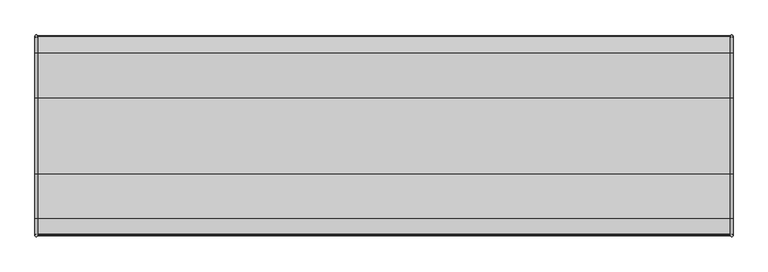
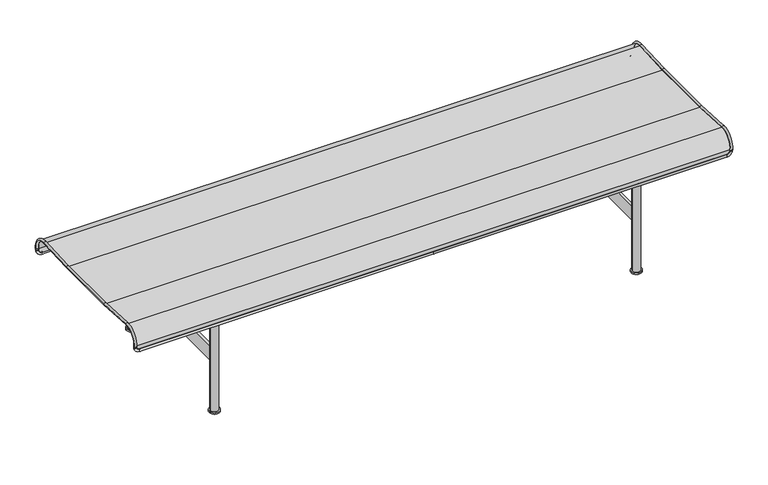
"""IFC4 building model written with IfcOpenShell, lengths in millimetres: furniture geometry."""

from ifc_helpers import new_model, si_unit, point, frame, frame_2d, origin, origin_with_axes, place, context, project, spatial, polyline, circle_curve, ellipse_curve, trimmed, segment, composite_curve, outline, extrude, source, transform, mapped, element, save
from ifc_brep_helpers import cylinder_surface, revolved_surface, advanced_brep


def furniture_bc1c1643(model_context):
    return source(origin(), model_context, "Body", "SolidModel", [
        extrude(outline(composite_curve([segment(trimmed(circle_curve(frame_2d((704.9999552, 238.988073)), 13.0), [point((717.9999552, 238.988073))], [point((691.9999552, 238.988073))], False, "CARTESIAN"), True, "CONTINUOUS"), segment(trimmed(circle_curve(frame_2d((704.9999552, 238.988073)), 13.0), [point((691.9999552, 238.988073))], [point((717.9999552, 238.988073))], False, "CARTESIAN"), True, "CONTINUOUS")], self_intersect=False)), frame((0.0, 0.0, 10.0), z_axis=(0.0, 0.0, 1.0), x_axis=(1.0, 0.0, 0.0)), (0.0, 0.0, 1.0), 375.0),
        extrude(outline(composite_curve([segment(trimmed(circle_curve(frame_2d((704.9999552, -239.011927)), 13.0), [point((717.9999552, -239.011927))], [point((691.9999552, -239.011927))], False, "CARTESIAN"), True, "CONTINUOUS"), segment(trimmed(circle_curve(frame_2d((704.9999552, -239.011927)), 13.0), [point((691.9999552, -239.011927))], [point((717.9999552, -239.011927))], False, "CARTESIAN"), True, "CONTINUOUS")], self_intersect=False)), frame((0.0, 0.0, 10.0), z_axis=(0.0, 0.0, 1.0), x_axis=(1.0, 0.0, 0.0)), (0.0, 0.0, 1.0), 376.6636493),
        extrude(outline(composite_curve([segment(trimmed(circle_curve(frame_2d((238.988073, 392.15)), 16.85), [point((255.838073, 392.15))], [point((222.138073, 392.15))], False, "CARTESIAN"), True, "CONTINUOUS"), segment(trimmed(circle_curve(frame_2d((238.988073, 392.15)), 16.85), [point((222.138073, 392.15))], [point((255.838073, 392.15))], False, "CARTESIAN"), True, "CONTINUOUS")], self_intersect=False)), frame((-899.9999552, 0.0, 0.0), z_axis=(1.0, 0.0, 0.0), x_axis=(0.0, 1.0, 0.0)), (0.0, 0.0, 1.0), 1800.0),
        extrude(outline(composite_curve([segment(trimmed(circle_curve(frame_2d((-239.011927, 392.15)), 16.85), [point((-222.161927, 392.15))], [point((-255.861927, 392.15))], False, "CARTESIAN"), True, "CONTINUOUS"), segment(trimmed(circle_curve(frame_2d((-239.011927, 392.15)), 16.85), [point((-255.861927, 392.15))], [point((-222.161927, 392.15))], False, "CARTESIAN"), True, "CONTINUOUS")], self_intersect=False)), frame((-899.9999552, 0.0, 0.0), z_axis=(1.0, 0.0, 0.0), x_axis=(0.0, 1.0, 0.0)), (0.0, 0.0, 1.0), 1800.0),
        extrude(outline(polyline([(701.0251424, 3.913073), (701.0251424, -3.936927), (-701.0250529, -3.936927), (-701.0250529, 3.913073), (701.0251424, 3.913073)])), frame((0.0, 0.0, 175.0), z_axis=(0.0, 0.0, 1.0), x_axis=(1.0, 0.0, 0.0)), (0.0, 0.0, 1.0), 50.0),
        extrude(outline(composite_curve([segment(trimmed(circle_curve(frame_2d((705.0000448, 238.988073)), 10.0), [point((715.0000448, 238.988073))], [point((695.0000448, 238.988073))], False, "CARTESIAN"), True, "CONTINUOUS"), segment(trimmed(circle_curve(frame_2d((705.0000448, 238.988073)), 10.0), [point((695.0000448, 238.988073))], [point((715.0000448, 238.988073))], False, "CARTESIAN"), True, "CONTINUOUS")], self_intersect=False)), origin_with_axes(), (0.0, 0.0, 1.0), 5.0095249),
        extrude(outline(composite_curve([segment(trimmed(circle_curve(frame_2d((705.0000448, 238.988073)), 17.5), [point((722.5000448, 238.988073))], [point((687.5000448, 238.988073))], False, "CARTESIAN"), True, "CONTINUOUS"), segment(trimmed(circle_curve(frame_2d((705.0000448, 238.988073)), 17.5), [point((687.5000448, 238.988073))], [point((722.5000448, 238.988073))], False, "CARTESIAN"), True, "CONTINUOUS")], self_intersect=False)), frame((0.0, 0.0, 5.0095249), z_axis=(0.0, 0.0, 1.0), x_axis=(1.0, 0.0, 0.0)), (0.0, 0.0, 1.0), 4.9904751),
        extrude(outline(composite_curve([segment(trimmed(circle_curve(frame_2d((-704.9999552, 238.988073)), 10.0), [point((-714.9999552, 238.988073))], [point((-694.9999552, 238.988073))], False, "CARTESIAN"), True, "CONTINUOUS"), segment(trimmed(circle_curve(frame_2d((-704.9999552, 238.988073)), 10.0), [point((-694.9999552, 238.988073))], [point((-714.9999552, 238.988073))], False, "CARTESIAN"), True, "CONTINUOUS")], self_intersect=False)), origin_with_axes(), (0.0, 0.0, 1.0), 5.0095249),
        extrude(outline(composite_curve([segment(trimmed(circle_curve(frame_2d((-704.9999552, 238.988073)), 17.5), [point((-722.4999552, 238.988073))], [point((-687.4999552, 238.988073))], False, "CARTESIAN"), True, "CONTINUOUS"), segment(trimmed(circle_curve(frame_2d((-704.9999552, 238.988073)), 17.5), [point((-687.4999552, 238.988073))], [point((-722.4999552, 238.988073))], False, "CARTESIAN"), True, "CONTINUOUS")], self_intersect=False)), frame((0.0, 0.0, 5.0095249), z_axis=(0.0, 0.0, 1.0), x_axis=(1.0, 0.0, 0.0)), (0.0, 0.0, 1.0), 4.9904751),
        extrude(outline(composite_curve([segment(trimmed(circle_curve(frame_2d((-704.9999552, 238.988073)), 13.0), [point((-717.9999552, 238.988073))], [point((-691.9999552, 238.988073))], False, "CARTESIAN"), True, "CONTINUOUS"), segment(trimmed(circle_curve(frame_2d((-704.9999552, 238.988073)), 13.0), [point((-691.9999552, 238.988073))], [point((-717.9999552, 238.988073))], False, "CARTESIAN"), True, "CONTINUOUS")], self_intersect=False)), frame((0.0, 0.0, 10.0), z_axis=(0.0, 0.0, 1.0), x_axis=(1.0, 0.0, 0.0)), (0.0, 0.0, 1.0), 375.0),
        extrude(outline(composite_curve([segment(trimmed(circle_curve(frame_2d((705.0000448, -239.011927)), 10.0), [point((715.0000448, -239.011927))], [point((695.0000448, -239.011927))], False, "CARTESIAN"), True, "CONTINUOUS"), segment(trimmed(circle_curve(frame_2d((705.0000448, -239.011927)), 10.0), [point((695.0000448, -239.011927))], [point((715.0000448, -239.011927))], False, "CARTESIAN"), True, "CONTINUOUS")], self_intersect=False)), origin_with_axes(), (0.0, 0.0, 1.0), 5.0095249),
        extrude(outline(composite_curve([segment(trimmed(circle_curve(frame_2d((705.0000448, -239.011927)), 17.5), [point((722.5000448, -239.011927))], [point((687.5000448, -239.011927))], False, "CARTESIAN"), True, "CONTINUOUS"), segment(trimmed(circle_curve(frame_2d((705.0000448, -239.011927)), 17.5), [point((687.5000448, -239.011927))], [point((722.5000448, -239.011927))], False, "CARTESIAN"), True, "CONTINUOUS")], self_intersect=False)), frame((0.0, 0.0, 5.0095249), z_axis=(0.0, 0.0, 1.0), x_axis=(1.0, 0.0, 0.0)), (0.0, 0.0, 1.0), 4.9904751),
        extrude(outline(composite_curve([segment(trimmed(circle_curve(frame_2d((-704.9999552, -239.011927)), 10.0), [point((-714.9999552, -239.011927))], [point((-694.9999552, -239.011927))], False, "CARTESIAN"), True, "CONTINUOUS"), segment(trimmed(circle_curve(frame_2d((-704.9999552, -239.011927)), 10.0), [point((-694.9999552, -239.011927))], [point((-714.9999552, -239.011927))], False, "CARTESIAN"), True, "CONTINUOUS")], self_intersect=False)), origin_with_axes(), (0.0, 0.0, 1.0), 5.0095249),
        extrude(outline(composite_curve([segment(trimmed(circle_curve(frame_2d((-704.9999552, -239.011927)), 17.5), [point((-722.4999552, -239.011927))], [point((-687.4999552, -239.011927))], False, "CARTESIAN"), True, "CONTINUOUS"), segment(trimmed(circle_curve(frame_2d((-704.9999552, -239.011927)), 17.5), [point((-687.4999552, -239.011927))], [point((-722.4999552, -239.011927))], False, "CARTESIAN"), True, "CONTINUOUS")], self_intersect=False)), frame((0.0, 0.0, 5.0095249), z_axis=(0.0, 0.0, 1.0), x_axis=(1.0, 0.0, 0.0)), (0.0, 0.0, 1.0), 4.9904751),
        extrude(outline(composite_curve([segment(trimmed(circle_curve(frame_2d((-704.9999552, -239.011927)), 13.0), [point((-717.9999552, -239.011927))], [point((-691.9999552, -239.011927))], False, "CARTESIAN"), True, "CONTINUOUS"), segment(trimmed(circle_curve(frame_2d((-704.9999552, -239.011927)), 13.0), [point((-691.9999552, -239.011927))], [point((-717.9999552, -239.011927))], False, "CARTESIAN"), True, "CONTINUOUS")], self_intersect=False)), frame((0.0, 0.0, 10.0), z_axis=(0.0, 0.0, 1.0), x_axis=(1.0, 0.0, 0.0)), (0.0, 0.0, 1.0), 376.6636493),
        advanced_brep(
        [(-999.5462493, 284.4659394, 360.5104882), (-999.5462493, 284.7053914, 362.4961022), (-991.5462493, 284.7053914, 362.4961022), (-991.5462493, 284.4659394, 360.5104882), (-999.5462493, 237.4859431, 412.9140708), (-991.5462493, 237.4859431, 412.9140708), (-999.5462493, 108.7493766, 405.8885189), (-991.5462493, 108.7493766, 405.8885189), (-999.5462493, -108.7732306, 405.8885189), (-991.5462493, -108.7732306, 405.8885189), (-999.5462493, -236.3198142, 412.8491298), (-991.5462493, -236.3198142, 412.8491298), (-999.5462493, -284.5865614, 361.3129209), (-991.5462493, -284.5865614, 361.3129209), (-999.5462493, -284.3471094, 359.3273069), (-991.5462493, -284.3471094, 359.3273069), (0.0, 282.8913258, 347.4532831), (-980.5462493, 282.8913258, 347.4532831), (-980.5462493, 281.9335176, 339.5108274), (0.0, 281.9335176, 339.5108274), (-999.5462493, 284.2083121, 358.3741598), (-991.5462493, 284.2083121, 358.3741598), (0.0, -281.8146877, 338.3276461), (-980.5462493, -281.8146877, 338.3276461), (-980.5462493, -282.7724959, 346.2701019), (0.0, -282.7724959, 346.2701019), (-991.5462493, -284.0894821, 357.1909785), (-999.5462493, -284.0894821, 357.1909785), (980.5462493, -282.7724959, 346.2701019), (980.5462493, -281.8146877, 338.3276461), (999.5462493, -284.0894821, 357.1909785), (991.5462493, -284.0894821, 357.1909785), (991.5462493, -284.3471094, 359.3273069), (999.5462493, -284.3471094, 359.3273069), (991.5462493, 284.4659394, 360.5104882), (991.5462493, 284.7053914, 362.4961022), (999.5462493, 284.7053914, 362.4961022), (999.5462493, 284.4659394, 360.5104882), (991.5462493, 237.4859431, 412.9140708), (999.5462493, 237.4859431, 412.9140708), (991.5462493, 108.7493766, 405.8885189), (999.5462493, 108.7493766, 405.8885189), (991.5462493, -108.7732306, 405.8885189), (999.5462493, -108.7732306, 405.8885189), (991.5462493, -236.3198142, 412.8491298), (999.5462493, -236.3198142, 412.8491298), (991.5462493, -284.5865614, 361.3129209), (999.5462493, -284.5865614, 361.3129209), (980.5462493, 281.9335176, 339.5108274), (980.5462493, 282.8913258, 347.4532831), (991.5462493, 284.2083121, 358.3741598), (999.5462493, 284.2083121, 358.3741598)],
        [
            (0, 1),
            (1, 2, circle_curve(frame((-995.5462493, 284.7053914, 362.4961022), z_axis=(0.0, -0.11972602531905047, -0.9928069695873927), x_axis=(1.0, 0.0, 0.0)), 4.0)),
            (2, 3),
            (3, 0, circle_curve(frame((-995.5462493, 284.4659394, 360.5104882), z_axis=(0.0, 0.11972602531905047, 0.9928069695873927), x_axis=(1.0, 0.0, 0.0)), 4.0)),
            (0, 3, circle_curve(frame((-995.5462493, 284.4659394, 360.5104882), z_axis=(0.0, 0.11972602531905047, 0.9928069695873927), x_axis=(1.0, 0.0, 0.0)), 4.0)),
            (2, 1, circle_curve(frame((-995.5462493, 284.7053914, 362.4961022), z_axis=(0.0, -0.11972602531905047, -0.9928069695873927), x_axis=(1.0, 0.0, 0.0)), 4.0)),
            (1, 4, circle_curve(frame((-999.5462493, 239.9428178, 367.8941757), z_axis=(1.0, 0.0, 0.0), x_axis=(0.0, 0.9928069695873927, -0.11972602531905052)), 45.0868849)),
            (4, 5, circle_curve(frame((-995.5462493, 237.4859431, 412.9140708), z_axis=(0.0, 0.9985142070101786, 0.05449200307232521), x_axis=(1.0, 0.0, 0.0)), 4.0)),
            (5, 2, circle_curve(frame((-991.5462493, 239.9428178, 367.8941757), z_axis=(-1.0, 0.0, 0.0), x_axis=(0.0, 0.9928069695873927, -0.11972602531905052)), 45.0868849)),
            (5, 4, circle_curve(frame((-995.5462493, 237.4859431, 412.9140708), z_axis=(0.0, 0.9985142070101786, 0.05449200307232521), x_axis=(1.0, 0.0, 0.0)), 4.0)),
            (4, 6),
            (6, 7, circle_curve(frame((-995.5462493, 108.7493766, 405.8885189), z_axis=(0.0, 0.9985142070101783, 0.0544920030723324), x_axis=(1.0, 0.0, 0.0)), 4.0)),
            (7, 5),
            (7, 6, circle_curve(frame((-995.5462493, 108.7493766, 405.8885189), z_axis=(0.0, 0.9985142070101783, 0.0544920030723324), x_axis=(1.0, 0.0, 0.0)), 4.0)),
            (6, 8, circle_curve(frame((-999.5462493, -0.011927, 2398.8361203), z_axis=(-1.0, 0.0, 0.0), x_axis=(0.0, 0.054492003072338854, -0.9985142070101778)), 1995.9131151)),
            (8, 9, circle_curve(frame((-995.5462493, -108.7732306, 405.8885189), z_axis=(0.0, 0.9985142070101786, -0.05449200307232431), x_axis=(1.0, 0.0, 0.0)), 4.0)),
            (9, 7, circle_curve(frame((-991.5462493, -0.011927, 2398.8361203), z_axis=(1.0, 0.0, 0.0), x_axis=(0.0, 0.054492003072338854, -0.9985142070101778)), 1995.9131151)),
            (9, 8, circle_curve(frame((-995.5462493, -108.7732306, 405.8885189), z_axis=(0.0, 0.9985142070101786, -0.05449200307232431), x_axis=(1.0, 0.0, 0.0)), 4.0)),
            (8, 10),
            (10, 11, circle_curve(frame((-995.5462493, -236.3198142, 412.8491298), z_axis=(0.0, 0.9985142070101782, -0.05449200307233083), x_axis=(1.0, 0.0, 0.0)), 4.0)),
            (11, 9),
            (11, 10, circle_curve(frame((-995.5462493, -236.3198142, 412.8491298), z_axis=(0.0, 0.9985142070101782, -0.05449200307233083), x_axis=(1.0, 0.0, 0.0)), 4.0)),
            (10, 12, circle_curve(frame((-999.5462493, -238.8311808, 366.8307204), z_axis=(1.0, 0.0, 0.0), x_axis=(0.0, 0.05449200307233129, 0.9985142070101782)), 46.0868849)),
            (12, 13, circle_curve(frame((-995.5462493, -284.5865614, 361.3129209), z_axis=(0.0, -0.11972602531906146, 0.9928069695873915), x_axis=(1.0, 0.0, 0.0)), 4.0)),
            (13, 11, circle_curve(frame((-991.5462493, -238.8311808, 366.8307204), z_axis=(-1.0, 0.0, 0.0), x_axis=(0.0, 0.05449200307233129, 0.9985142070101782)), 46.0868849)),
            (13, 12, circle_curve(frame((-995.5462493, -284.5865614, 361.3129209), z_axis=(0.0, -0.11972602531906146, 0.9928069695873915), x_axis=(1.0, 0.0, 0.0)), 4.0)),
            (12, 14),
            (14, 15, circle_curve(frame((-995.5462493, -284.3471094, 359.3273069), z_axis=(0.0, -0.11972602531906026, 0.9928069695873917), x_axis=(1.0, 0.0, 0.0)), 4.0)),
            (15, 13),
            (15, 14, circle_curve(frame((-995.5462493, -284.3471094, 359.3273069), z_axis=(0.0, -0.11972602531906026, 0.9928069695873917), x_axis=(1.0, 0.0, 0.0)), 4.0)),
            (16, 17),
            (17, 18, circle_curve(frame((-980.5462493, 282.4124217, 343.4820553), z_axis=(1.0, 0.0, 0.0), x_axis=(0.0, 0.1197260253190525, 0.9928069695873926)), 4.0)),
            (18, 19),
            (19, 16, circle_curve(frame((0.0, 282.4124217, 343.4820553), z_axis=(-1.0, 0.0, 0.0), x_axis=(0.0, 0.1197260253190525, 0.9928069695873926)), 4.0)),
            (16, 19, circle_curve(frame((0.0, 282.4124217, 343.4820553), z_axis=(-1.0, 0.0, 0.0), x_axis=(0.0, 0.1197260253190525, 0.9928069695873926)), 4.0)),
            (18, 17, circle_curve(frame((-980.5462493, 282.4124217, 343.4820553), z_axis=(1.0, 0.0, 0.0), x_axis=(0.0, 0.1197260253190525, 0.9928069695873926)), 4.0)),
            (20, 21, circle_curve(frame((-995.5462493, 284.2083121, 358.3741598), z_axis=(0.0, 0.11972602531905252, 0.9928069695873926), x_axis=(1.0, 0.0, 0.0)), 4.0)),
            (21, 3),
            (0, 20),
            (21, 20, circle_curve(frame((-995.5462493, 284.2083121, 358.3741598), z_axis=(0.0, 0.11972602531905252, 0.9928069695873926), x_axis=(1.0, 0.0, 0.0)), 4.0)),
            (17, 21, circle_curve(frame((-980.5462493, 284.2083121, 358.3741598), z_axis=(0.0, 0.9928069695873926, -0.1197260253190525), x_axis=(0.0, -0.1197260253190525, -0.9928069695873926)), 11.0)),
            (20, 18, circle_curve(frame((-980.5462493, 284.2083121, 358.3741598), z_axis=(0.0, -0.9928069695873926, 0.1197260253190525), x_axis=(0.0, -0.1197260253190525, -0.9928069695873926)), 19.0)),
            (22, 23),
            (23, 24, circle_curve(frame((-980.5462493, -282.2935918, 342.298874), z_axis=(1.0, 0.0, 0.0), x_axis=(0.0, -0.1197260253190525, 0.9928069695873926)), 4.0)),
            (24, 25),
            (25, 22, circle_curve(frame((0.0, -282.2935918, 342.298874), z_axis=(-1.0, 0.0, 0.0), x_axis=(0.0, -0.1197260253190525, 0.9928069695873926)), 4.0)),
            (22, 25, circle_curve(frame((0.0, -282.2935918, 342.298874), z_axis=(-1.0, 0.0, 0.0), x_axis=(0.0, -0.1197260253190525, 0.9928069695873926)), 4.0)),
            (24, 23, circle_curve(frame((-980.5462493, -282.2935918, 342.298874), z_axis=(1.0, 0.0, 0.0), x_axis=(0.0, -0.1197260253190525, 0.9928069695873926)), 4.0)),
            (26, 27, circle_curve(frame((-995.5462493, -284.0894821, 357.1909785), z_axis=(0.0, -0.11972602531905252, 0.9928069695873926), x_axis=(1.0, 0.0, 0.0)), 4.0)),
            (27, 14),
            (15, 26),
            (27, 26, circle_curve(frame((-995.5462493, -284.0894821, 357.1909785), z_axis=(0.0, -0.11972602531905252, 0.9928069695873926), x_axis=(1.0, 0.0, 0.0)), 4.0)),
            (23, 27, circle_curve(frame((-980.5462493, -284.0894821, 357.1909785), z_axis=(0.0, 0.9928069695873926, 0.1197260253190525), x_axis=(0.0, 0.1197260253190525, -0.9928069695873926)), 19.0)),
            (26, 24, circle_curve(frame((-980.5462493, -284.0894821, 357.1909785), z_axis=(0.0, -0.9928069695873926, -0.1197260253190525), x_axis=(0.0, 0.1197260253190525, -0.9928069695873926)), 11.0)),
            (25, 28),
            (28, 29, circle_curve(frame((980.5462493, -282.2935918, 342.298874), z_axis=(-1.0, 0.0, 0.0), x_axis=(0.0, -0.1197260253190525, 0.9928069695873926)), 4.0)),
            (29, 22),
            (29, 28, circle_curve(frame((980.5462493, -282.2935918, 342.298874), z_axis=(-1.0, 0.0, 0.0), x_axis=(0.0, -0.1197260253190525, 0.9928069695873926)), 4.0)),
            (30, 31, circle_curve(frame((995.5462493, -284.0894821, 357.1909785), z_axis=(0.0, -0.11972602531905252, 0.9928069695873926), x_axis=(-1.0, 0.0, 0.0)), 4.0)),
            (31, 32),
            (32, 33, circle_curve(frame((995.5462493, -284.3471094, 359.3273069), z_axis=(0.0, 0.11972602531905252, -0.9928069695873926), x_axis=(-1.0, 0.0, 0.0)), 4.0)),
            (33, 30),
            (31, 30, circle_curve(frame((995.5462493, -284.0894821, 357.1909785), z_axis=(0.0, -0.11972602531905252, 0.9928069695873926), x_axis=(-1.0, 0.0, 0.0)), 4.0)),
            (33, 32, circle_curve(frame((995.5462493, -284.3471094, 359.3273069), z_axis=(0.0, 0.11972602531905252, -0.9928069695873926), x_axis=(-1.0, 0.0, 0.0)), 4.0)),
            (28, 31, circle_curve(frame((980.5462493, -284.0894821, 357.1909785), z_axis=(0.0, -0.9928069695873926, -0.1197260253190525), x_axis=(0.0, 0.1197260253190525, -0.9928069695873926)), 11.0)),
            (30, 29, circle_curve(frame((980.5462493, -284.0894821, 357.1909785), z_axis=(0.0, 0.9928069695873926, 0.1197260253190525), x_axis=(0.0, 0.1197260253190525, -0.9928069695873926)), 19.0)),
            (34, 35),
            (35, 36, circle_curve(frame((995.5462493, 284.7053914, 362.4961022), z_axis=(0.0, -0.11972602531905047, -0.9928069695873927), x_axis=(-1.0, 0.0, 0.0)), 4.0)),
            (36, 37),
            (37, 34, circle_curve(frame((995.5462493, 284.4659394, 360.5104882), z_axis=(0.0, 0.11972602531905047, 0.9928069695873927), x_axis=(-1.0, 0.0, 0.0)), 4.0)),
            (34, 37, circle_curve(frame((995.5462493, 284.4659394, 360.5104882), z_axis=(0.0, 0.11972602531905047, 0.9928069695873927), x_axis=(-1.0, 0.0, 0.0)), 4.0)),
            (36, 35, circle_curve(frame((995.5462493, 284.7053914, 362.4961022), z_axis=(0.0, -0.11972602531905047, -0.9928069695873927), x_axis=(-1.0, 0.0, 0.0)), 4.0)),
            (35, 38, circle_curve(frame((991.5462493, 239.9428178, 367.8941757), z_axis=(1.0, 0.0, 0.0), x_axis=(0.0, 0.9928069695873929, -0.11972602531904875)), 45.0868849)),
            (38, 39, circle_curve(frame((995.5462493, 237.4859431, 412.9140708), z_axis=(0.0, 0.9985142070101786, 0.05449200307232563), x_axis=(-1.0, 0.0, 0.0)), 4.0)),
            (39, 36, circle_curve(frame((999.5462493, 239.9428178, 367.8941757), z_axis=(-1.0, 0.0, 0.0), x_axis=(0.0, 0.9928069695873929, -0.11972602531904875)), 45.0868849)),
            (39, 38, circle_curve(frame((995.5462493, 237.4859431, 412.9140708), z_axis=(0.0, 0.9985142070101786, 0.05449200307232563), x_axis=(-1.0, 0.0, 0.0)), 4.0)),
            (38, 40),
            (40, 41, circle_curve(frame((995.5462493, 108.7493766, 405.8885189), z_axis=(0.0, 0.9985142070101783, 0.05449200307233243), x_axis=(-1.0, 0.0, 0.0)), 4.0)),
            (41, 39),
            (41, 40, circle_curve(frame((995.5462493, 108.7493766, 405.8885189), z_axis=(0.0, 0.9985142070101783, 0.05449200307233243), x_axis=(-1.0, 0.0, 0.0)), 4.0)),
            (40, 42, circle_curve(frame((991.5462493, -0.011927, 2398.8361203), z_axis=(-1.0, 0.0, 0.0), x_axis=(0.0, 0.054492003072338854, -0.9985142070101778)), 1995.9131151)),
            (42, 43, circle_curve(frame((995.5462493, -108.7732306, 405.8885189), z_axis=(0.0, 0.9985142070101786, -0.05449200307232428), x_axis=(-1.0, 0.0, 0.0)), 4.0)),
            (43, 41, circle_curve(frame((999.5462493, -0.011927, 2398.8361203), z_axis=(1.0, 0.0, 0.0), x_axis=(0.0, 0.054492003072338854, -0.9985142070101778)), 1995.9131151)),
            (43, 42, circle_curve(frame((995.5462493, -108.7732306, 405.8885189), z_axis=(0.0, 0.9985142070101786, -0.05449200307232428), x_axis=(-1.0, 0.0, 0.0)), 4.0)),
            (42, 44),
            (44, 45, circle_curve(frame((995.5462493, -236.3198142, 412.8491298), z_axis=(0.0, 0.9985142070101783, -0.05449200307233081), x_axis=(-1.0, 0.0, 0.0)), 4.0)),
            (45, 43),
            (45, 44, circle_curve(frame((995.5462493, -236.3198142, 412.8491298), z_axis=(0.0, 0.9985142070101783, -0.05449200307233081), x_axis=(-1.0, 0.0, 0.0)), 4.0)),
            (44, 46, circle_curve(frame((991.5462493, -238.8311808, 366.8307204), z_axis=(1.0, 0.0, 0.0), x_axis=(0.0, 0.05449200307233129, 0.9985142070101782)), 46.0868849)),
            (46, 47, circle_curve(frame((995.5462493, -284.5865614, 361.3129209), z_axis=(0.0, -0.11972602531906149, 0.9928069695873915), x_axis=(-1.0, 0.0, 0.0)), 4.0)),
            (47, 45, circle_curve(frame((999.5462493, -238.8311808, 366.8307204), z_axis=(-1.0, 0.0, 0.0), x_axis=(0.0, 0.05449200307233129, 0.9985142070101782)), 46.0868849)),
            (47, 46, circle_curve(frame((995.5462493, -284.5865614, 361.3129209), z_axis=(0.0, -0.11972602531906149, 0.9928069695873915), x_axis=(-1.0, 0.0, 0.0)), 4.0)),
            (46, 32),
            (33, 47),
            (19, 48),
            (48, 49, circle_curve(frame((980.5462493, 282.4124217, 343.4820553), z_axis=(-1.0, 0.0, 0.0), x_axis=(0.0, 0.1197260253190525, 0.9928069695873926)), 4.0)),
            (49, 16),
            (49, 48, circle_curve(frame((980.5462493, 282.4124217, 343.4820553), z_axis=(-1.0, 0.0, 0.0), x_axis=(0.0, 0.1197260253190525, 0.9928069695873926)), 4.0)),
            (50, 51, circle_curve(frame((995.5462493, 284.2083121, 358.3741598), z_axis=(0.0, 0.11972602531905252, 0.9928069695873926), x_axis=(-1.0, 0.0, 0.0)), 4.0)),
            (51, 37),
            (34, 50),
            (51, 50, circle_curve(frame((995.5462493, 284.2083121, 358.3741598), z_axis=(0.0, 0.11972602531905252, 0.9928069695873926), x_axis=(-1.0, 0.0, 0.0)), 4.0)),
            (48, 51, circle_curve(frame((980.5462493, 284.2083121, 358.3741598), z_axis=(0.0, -0.9928069695873926, 0.1197260253190525), x_axis=(0.0, -0.1197260253190525, -0.9928069695873926)), 19.0)),
            (50, 49, circle_curve(frame((980.5462493, 284.2083121, 358.3741598), z_axis=(0.0, 0.9928069695873926, -0.1197260253190525), x_axis=(0.0, -0.1197260253190525, -0.9928069695873926)), 11.0)),
        ],
        [
            cylinder_surface(frame((-995.5462493, 284.4659394, 360.5104882), z_axis=(0.0, -0.11972602531905047, -0.9928069695873927), x_axis=(1.0, 0.0, 0.0)), 4.0),
            revolved_surface(trimmed(ellipse_curve(frame((-995.5462493, 284.7053914, 362.4961022), z_axis=(0.0, -0.1197260253190505, -0.9928069695873927), x_axis=(1.0, 0.0, 0.0)), 4.0, 4.0), [point((-999.5462493, 284.7053914, 362.4961022))], [point((-991.5462493, 284.7053914, 362.4961022))], True, "CARTESIAN"), (-646.1061414, 239.9428178, 367.8941757), (1.0, 0.0, 0.0)),
            revolved_surface(trimmed(ellipse_curve(frame((-995.5462493, 284.7053914, 362.4961022), z_axis=(0.0, -0.1197260253190505, -0.9928069695873927), x_axis=(1.0, 0.0, 0.0)), 4.0, 4.0), [point((-991.5462493, 284.7053914, 362.4961022))], [point((-999.5462493, 284.7053914, 362.4961022))], True, "CARTESIAN"), (-646.1061414, 239.9428178, 367.8941757), (1.0, 0.0, 0.0)),
            cylinder_surface(frame((-995.5462493, 237.4859431, 412.9140708), z_axis=(0.0, 0.9985142070101781, 0.05449200307233239), x_axis=(1.0, 0.0, 0.0)), 4.0),
            revolved_surface(trimmed(ellipse_curve(frame((-995.5462493, 108.7493766, 405.8885189), z_axis=(0.0, 0.9985142070101778, 0.054492003072338875), x_axis=(1.0, 0.0, 0.0)), 4.0, 4.0), [point((-999.5462493, 108.7493766, 405.8885189))], [point((-991.5462493, 108.7493766, 405.8885189))], True, "CARTESIAN"), (-646.1061414, -0.011927, 2398.8361203), (-1.0, 0.0, 0.0)),
            revolved_surface(trimmed(ellipse_curve(frame((-995.5462493, 108.7493766, 405.8885189), z_axis=(0.0, 0.9985142070101778, 0.054492003072338875), x_axis=(1.0, 0.0, 0.0)), 4.0, 4.0), [point((-991.5462493, 108.7493766, 405.8885189))], [point((-999.5462493, 108.7493766, 405.8885189))], True, "CARTESIAN"), (-646.1061414, -0.011927, 2398.8361203), (-1.0, 0.0, 0.0)),
            cylinder_surface(frame((-995.5462493, -108.7732306, 405.8885189), z_axis=(0.0, 0.9985142070101782, -0.05449200307233083), x_axis=(1.0, 0.0, 0.0)), 4.0),
            revolved_surface(trimmed(ellipse_curve(frame((-995.5462493, -236.3198142, 412.8491298), z_axis=(0.0, 0.9985142070101782, -0.05449200307233126), x_axis=(1.0, 0.0, 0.0)), 4.0, 4.0), [point((-999.5462493, -236.3198142, 412.8491298))], [point((-991.5462493, -236.3198142, 412.8491298))], True, "CARTESIAN"), (-646.1061414, -238.8311808, 366.8307204), (1.0, 0.0, 0.0)),
            revolved_surface(trimmed(ellipse_curve(frame((-995.5462493, -236.3198142, 412.8491298), z_axis=(0.0, 0.9985142070101782, -0.05449200307233126), x_axis=(1.0, 0.0, 0.0)), 4.0, 4.0), [point((-991.5462493, -236.3198142, 412.8491298))], [point((-999.5462493, -236.3198142, 412.8491298))], True, "CARTESIAN"), (-646.1061414, -238.8311808, 366.8307204), (1.0, 0.0, 0.0)),
            cylinder_surface(frame((-995.5462493, -284.5865614, 361.3129209), z_axis=(0.0, -0.11972602531906024, 0.9928069695873915), x_axis=(1.0, 0.0, 0.0)), 4.0),
            cylinder_surface(frame((0.0, 282.4124217, 343.4820553), z_axis=(1.0000000000000002, 0.0, 0.0), x_axis=(0.0, 0.1197260253190525, 0.9928069695873926)), 4.0),
            cylinder_surface(frame((-995.5462493, 284.2083121, 358.3741598), z_axis=(0.0, -0.11972602531905252, -0.9928069695873926), x_axis=(1.0, 0.0, 0.0)), 4.0),
            revolved_surface(trimmed(ellipse_curve(frame((-980.5462493, 282.4124217, 343.4820553), z_axis=(1.0000000000000002, 0.0, 0.0), x_axis=(0.0, 0.1197260253190525, 0.9928069695873926)), 4.0, 4.0), [point((-980.5462493, 282.8913258, 347.4532831))], [point((-980.5462493, 281.9335176, 339.5108274))], True, "CARTESIAN"), (-980.5462493, 1024.8202347, 269.0612072), (0.0, 0.9928069695873926, -0.1197260253190525)),
            revolved_surface(trimmed(ellipse_curve(frame((-980.5462493, 282.4124217, 343.4820553), z_axis=(1.0000000000000002, 0.0, 0.0), x_axis=(0.0, 0.1197260253190525, 0.9928069695873926)), 4.0, 4.0), [point((-980.5462493, 281.9335176, 339.5108274))], [point((-980.5462493, 282.8913258, 347.4532831))], True, "CARTESIAN"), (-980.5462493, 1024.8202347, 269.0612072), (0.0, 0.9928069695873926, -0.1197260253190525)),
            cylinder_surface(frame((0.0, -282.2935918, 342.298874), z_axis=(1.0000000000000002, 0.0, 0.0), x_axis=(0.0, -0.1197260253190525, 0.9928069695873926)), 4.0),
            cylinder_surface(frame((-995.5462493, -284.0894821, 357.1909785), z_axis=(0.0, 0.11972602531905252, -0.9928069695873926), x_axis=(1.0, 0.0, 0.0)), 4.0),
            revolved_surface(trimmed(ellipse_curve(frame((-980.5462493, -282.2935918, 342.298874), z_axis=(1.0000000000000002, 0.0, 0.0), x_axis=(0.0, -0.1197260253190525, 0.9928069695873926)), 4.0, 4.0), [point((-980.5462493, -281.8146877, 338.3276461))], [point((-980.5462493, -282.7724959, 346.2701019))], True, "CARTESIAN"), (-980.5462493, -1024.7014047, 267.878026), (0.0, 0.9928069695873926, 0.1197260253190525)),
            revolved_surface(trimmed(ellipse_curve(frame((-980.5462493, -282.2935918, 342.298874), z_axis=(1.0000000000000002, 0.0, 0.0), x_axis=(0.0, -0.1197260253190525, 0.9928069695873926)), 4.0, 4.0), [point((-980.5462493, -282.7724959, 346.2701019))], [point((-980.5462493, -281.8146877, 338.3276461))], True, "CARTESIAN"), (-980.5462493, -1024.7014047, 267.878026), (0.0, 0.9928069695873926, 0.1197260253190525)),
            cylinder_surface(frame((0.0, -282.2935918, 342.298874), z_axis=(-1.0000000000000002, 0.0, 0.0), x_axis=(0.0, -0.1197260253190525, 0.9928069695873926)), 4.0),
            cylinder_surface(frame((995.5462493, -284.0894821, 357.1909785), z_axis=(0.0, 0.11972602531905252, -0.9928069695873926), x_axis=(-1.0, 0.0, 0.0)), 4.0),
            revolved_surface(trimmed(ellipse_curve(frame((980.5462493, -282.2935918, 342.298874), z_axis=(-1.0000000000000002, 0.0, 0.0), x_axis=(0.0, -0.1197260253190525, 0.9928069695873926)), 4.0, 4.0), [point((980.5462493, -282.7724959, 346.2701019))], [point((980.5462493, -281.8146877, 338.3276461))], True, "CARTESIAN"), (980.5462493, -1024.7014047, 267.878026), (0.0, -0.9928069695873926, -0.1197260253190525)),
            revolved_surface(trimmed(ellipse_curve(frame((980.5462493, -282.2935918, 342.298874), z_axis=(-1.0000000000000002, 0.0, 0.0), x_axis=(0.0, -0.1197260253190525, 0.9928069695873926)), 4.0, 4.0), [point((980.5462493, -281.8146877, 338.3276461))], [point((980.5462493, -282.7724959, 346.2701019))], True, "CARTESIAN"), (980.5462493, -1024.7014047, 267.878026), (0.0, -0.9928069695873926, -0.1197260253190525)),
            cylinder_surface(frame((995.5462493, 284.4659394, 360.5104882), z_axis=(0.0, -0.11972602531905047, -0.9928069695873927), x_axis=(-1.0, 0.0, 0.0)), 4.0),
            revolved_surface(trimmed(ellipse_curve(frame((995.5462493, 284.7053914, 362.4961022), z_axis=(0.0, -0.11972602531904873, -0.9928069695873929), x_axis=(-1.0, 0.0, 0.0)), 4.0, 4.0), [point((991.5462493, 284.7053914, 362.4961022))], [point((999.5462493, 284.7053914, 362.4961022))], True, "CARTESIAN"), (646.1061414, 239.9428178, 367.8941757), (1.0, 0.0, 0.0)),
            revolved_surface(trimmed(ellipse_curve(frame((995.5462493, 284.7053914, 362.4961022), z_axis=(0.0, -0.11972602531904873, -0.9928069695873929), x_axis=(-1.0, 0.0, 0.0)), 4.0, 4.0), [point((999.5462493, 284.7053914, 362.4961022))], [point((991.5462493, 284.7053914, 362.4961022))], True, "CARTESIAN"), (646.1061414, 239.9428178, 367.8941757), (1.0, 0.0, 0.0)),
            cylinder_surface(frame((995.5462493, 237.4859431, 412.9140708), z_axis=(0.0, 0.9985142070101781, 0.054492003072332415), x_axis=(-1.0, 0.0, 0.0)), 4.0),
            revolved_surface(trimmed(ellipse_curve(frame((995.5462493, 108.7493766, 405.8885189), z_axis=(0.0, 0.9985142070101778, 0.0544920030723389), x_axis=(-1.0, 0.0, 0.0)), 4.0, 4.0), [point((991.5462493, 108.7493766, 405.8885189))], [point((999.5462493, 108.7493766, 405.8885189))], True, "CARTESIAN"), (646.1061414, -0.011927, 2398.8361203), (-1.0, 0.0, 0.0)),
            revolved_surface(trimmed(ellipse_curve(frame((995.5462493, 108.7493766, 405.8885189), z_axis=(0.0, 0.9985142070101778, 0.0544920030723389), x_axis=(-1.0, 0.0, 0.0)), 4.0, 4.0), [point((999.5462493, 108.7493766, 405.8885189))], [point((991.5462493, 108.7493766, 405.8885189))], True, "CARTESIAN"), (646.1061414, -0.011927, 2398.8361203), (-1.0, 0.0, 0.0)),
            cylinder_surface(frame((995.5462493, -108.7732306, 405.8885189), z_axis=(0.0, 0.9985142070101783, -0.05449200307233081), x_axis=(-1.0, 0.0, 0.0)), 4.0),
            revolved_surface(trimmed(ellipse_curve(frame((995.5462493, -236.3198142, 412.8491298), z_axis=(0.0, 0.9985142070101782, -0.054492003072331235), x_axis=(-1.0, 0.0, 0.0)), 4.0, 4.0), [point((991.5462493, -236.3198142, 412.8491298))], [point((999.5462493, -236.3198142, 412.8491298))], True, "CARTESIAN"), (646.1061414, -238.8311808, 366.8307204), (1.0, 0.0, 0.0)),
            revolved_surface(trimmed(ellipse_curve(frame((995.5462493, -236.3198142, 412.8491298), z_axis=(0.0, 0.9985142070101782, -0.054492003072331235), x_axis=(-1.0, 0.0, 0.0)), 4.0, 4.0), [point((999.5462493, -236.3198142, 412.8491298))], [point((991.5462493, -236.3198142, 412.8491298))], True, "CARTESIAN"), (646.1061414, -238.8311808, 366.8307204), (1.0, 0.0, 0.0)),
            cylinder_surface(frame((995.5462493, -284.5865614, 361.3129209), z_axis=(0.0, -0.11972602531906028, 0.9928069695873916), x_axis=(-1.0, 0.0, 0.0)), 4.0),
            cylinder_surface(frame((0.0, 282.4124217, 343.4820553), z_axis=(-1.0000000000000002, 0.0, 0.0), x_axis=(0.0, 0.1197260253190525, 0.9928069695873926)), 4.0),
            cylinder_surface(frame((995.5462493, 284.2083121, 358.3741598), z_axis=(0.0, -0.11972602531905252, -0.9928069695873926), x_axis=(-1.0, 0.0, 0.0)), 4.0),
            revolved_surface(trimmed(ellipse_curve(frame((980.5462493, 282.4124217, 343.4820553), z_axis=(-1.0000000000000002, 0.0, 0.0), x_axis=(0.0, 0.1197260253190525, 0.9928069695873926)), 4.0, 4.0), [point((980.5462493, 281.9335176, 339.5108274))], [point((980.5462493, 282.8913258, 347.4532831))], True, "CARTESIAN"), (980.5462493, 1024.8202347, 269.0612072), (0.0, -0.9928069695873926, 0.1197260253190525)),
            revolved_surface(trimmed(ellipse_curve(frame((980.5462493, 282.4124217, 343.4820553), z_axis=(-1.0000000000000002, 0.0, 0.0), x_axis=(0.0, 0.1197260253190525, 0.9928069695873926)), 4.0, 4.0), [point((980.5462493, 282.8913258, 347.4532831))], [point((980.5462493, 281.9335176, 339.5108274))], True, "CARTESIAN"), (980.5462493, 1024.8202347, 269.0612072), (0.0, -0.9928069695873926, 0.1197260253190525)),
        ],
        [
            (0, [[1, 2, 3, 4]]),
            (0, [[-1, 5, -3, 6]]),
            (1, [[-2, 7, 8, 9]]),
            (2, [[-6, -9, 10, -7]]),
            (3, [[-8, 11, 12, 13]]),
            (3, [[-10, -13, 14, -11]]),
            (4, [[-12, 15, 16, 17]]),
            (5, [[-14, -17, 18, -15]]),
            (6, [[-16, 19, 20, 21]]),
            (6, [[-18, -21, 22, -19]]),
            (7, [[-20, 23, 24, 25]]),
            (8, [[-22, -25, 26, -23]]),
            (9, [[-24, 27, 28, 29]]),
            (9, [[-26, -29, 30, -27]]),
            (10, [[31, 32, 33, 34]]),
            (10, [[-31, 35, -33, 36]]),
            (11, [[37, 38, -5, 39]]),
            (11, [[-38, 40, -39, -4]]),
            (12, [[-32, 41, -37, 42]]),
            (13, [[-36, -42, -40, -41]]),
            (14, [[43, 44, 45, 46]]),
            (14, [[-43, 47, -45, 48]]),
            (15, [[49, 50, -30, 51]]),
            (15, [[-50, 52, -51, -28]]),
            (16, [[-44, 53, -49, 54]]),
            (17, [[-48, -54, -52, -53]]),
            (18, [[55, 56, 57, -46]]),
            (18, [[-55, -47, -57, 58]]),
            (19, [[59, 60, 61, 62]]),
            (19, [[-60, 63, -62, 64]]),
            (20, [[-56, 65, -59, 66]]),
            (21, [[-58, -66, -63, -65]]),
            (22, [[67, 68, 69, 70]]),
            (22, [[-67, 71, -69, 72]]),
            (23, [[-68, 73, 74, 75]]),
            (24, [[-72, -75, 76, -73]]),
            (25, [[-74, 77, 78, 79]]),
            (25, [[-76, -79, 80, -77]]),
            (26, [[-78, 81, 82, 83]]),
            (27, [[-80, -83, 84, -81]]),
            (28, [[-82, 85, 86, 87]]),
            (28, [[-84, -87, 88, -85]]),
            (29, [[-86, 89, 90, 91]]),
            (30, [[-88, -91, 92, -89]]),
            (31, [[-90, 93, -64, 94]]),
            (31, [[-92, -94, -61, -93]]),
            (32, [[95, 96, 97, -34]]),
            (32, [[-95, -35, -97, 98]]),
            (33, [[99, 100, -71, 101]]),
            (33, [[-100, 102, -101, -70]]),
            (34, [[-96, 103, -99, 104]]),
            (35, [[-98, -104, -102, -103]]),
        ],
    ),
        extrude(outline(polyline([(701.0251424, -226.511927), (701.0251424, 226.488073), (708.8751424, 226.488073), (708.8751424, -226.511927), (701.0251424, -226.511927)])), frame((0.0, 0.0, 175.0), z_axis=(0.0, 0.0, 1.0), x_axis=(1.0, 0.0, 0.0)), (0.0, 0.0, 1.0), 50.0),
        extrude(outline(polyline([(-701.0250529, 226.488073), (-701.0250529, -226.511927), (-708.8750529, -226.511927), (-708.8750529, 226.488073), (-701.0250529, 226.488073)])), frame((0.0, 0.0, 175.0), z_axis=(0.0, 0.0, 1.0), x_axis=(1.0, 0.0, 0.0)), (0.0, 0.0, 1.0), 50.0),
        extrude(outline(composite_curve([segment(polyline([(279.0527789, 345.2904867), (281.1902399, 363.0150056)]), True, "CONTINUOUS"), segment(trimmed(circle_curve(frame_2d((240.4851542, 367.9237726)), 41.0), [point((281.1902399, 363.0150056))], [point((238.250982, 408.8628551))], True, "CARTESIAN"), True, "CONTINUOUS"), segment(polyline([(238.250982, 408.8628551), (108.9720792, 401.8077063)]), True, "CONTINUOUS"), segment(trimmed(circle_curve(frame_2d((-0.011927, 2398.8361203)), 2000.0), [point((108.9720792, 401.8077063))], [point((-108.9959331, 401.8077063))], False, "CARTESIAN"), True, "CONTINUOUS"), segment(polyline([(-108.9959331, 401.8077063), (-237.0634593, 408.7967466)]), True, "CONTINUOUS"), segment(trimmed(circle_curve(frame_2d((-239.3521235, 366.8591499)), 42.0), [point((-237.0634593, 408.7967466))], [point((-281.0500162, 361.8306568))], True, "CARTESIAN"), True, "CONTINUOUS"), segment(polyline([(-281.0500162, 361.8306568), (-278.8788064, 343.8262821), (-281.3471313, 343.5286183), (-283.5074945, 361.4430493)]), True, "CONTINUOUS"), segment(trimmed(circle_curve(frame_2d((-238.8311808, 366.8307204)), 45.0), [point((-283.5074945, 361.4430493))], [point((-236.3790407, 411.7638597))], False, "CARTESIAN"), True, "CONTINUOUS"), segment(polyline([(-236.3790407, 411.7638597), (-108.8324571, 404.8032489)]), True, "CONTINUOUS"), segment(trimmed(circle_curve(frame_2d((-0.011927, 2398.8361203)), 1997.0), [point((-108.8324571, 404.8032489))], [point((108.8086032, 404.8032489))], True, "CARTESIAN"), True, "CONTINUOUS"), segment(polyline([(108.8086032, 404.8032489), (237.5451697, 411.8288008)]), True, "CONTINUOUS"), segment(trimmed(circle_curve(frame_2d((239.9428178, 367.8941757)), 44.0), [point((237.5451697, 411.8288008))], [point((283.6263245, 362.6262306))], False, "CARTESIAN"), True, "CONTINUOUS"), segment(polyline([(283.6263245, 362.6262306), (281.5001555, 344.9953491), (279.0527789, 345.2904867)]), True, "CONTINUOUS")], self_intersect=False)), frame((-991.6344372, 0.0, 0.0), z_axis=(1.0, 0.0, 0.0), x_axis=(0.0, 1.0, 0.0)), (0.0, 0.0, 1.0), 1983.1889335),
    ])


if __name__ == "__main__":
    model = new_model("IFC4")
    model_context = context("Model", 3, world=origin())
    ifc_project = project(units=[si_unit("LENGTHUNIT", "METRE", prefix="MILLI")], contexts=[model_context])
    site = spatial("IfcSite", under=ifc_project)
    building = spatial("IfcBuilding", under=site)
    placement = place(None, origin())
    furniture_shape = furniture_bc1c1643(model_context)
    element("IfcFurniture", 1, at=placement, inside=building, context=model_context, shape_type="MappedRepresentation", body=[
        mapped(furniture_shape, transform((0.0, 0.0, 0.0), x_axis=(1.0, 0.0, 0.0), y_axis=(0.0, 1.0, 0.0), z_axis=(0.0, 0.0, 1.0))),
    ])
    save(model, "model.ifc")
